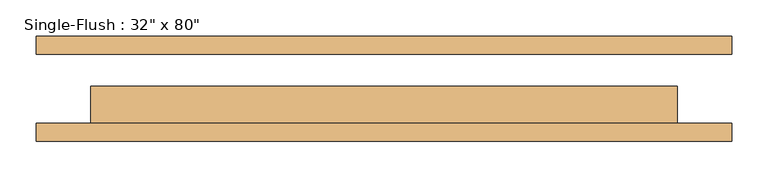
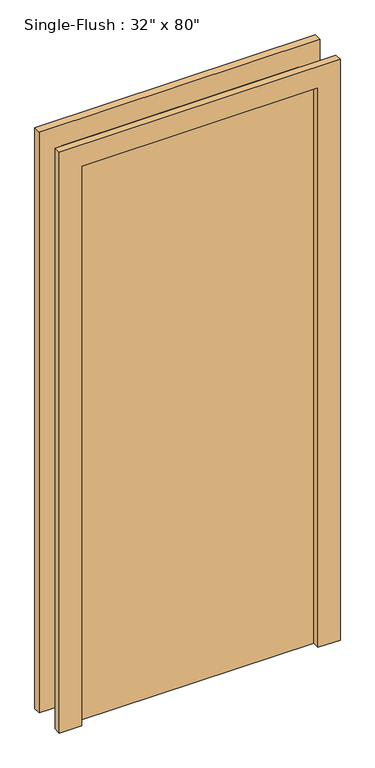
"""IFC4 building model written with IfcOpenShell, lengths in millimetres: door geometry."""

from ifc_helpers import new_model, si_unit, frame, origin, origin_with_axes, place, context, project, spatial, polyline, outline, extrude, source, transform, mapped, element, save


def door_2c56e52c(model_context):
    return source(origin(), model_context, "Body", "SweptSolid", [
        extrude(outline(polyline([(2108.2, -482.6), (0.0, -482.6), (0.0, -406.4), (2032.0, -406.4), (2032.0, 406.4), (0.0, 406.4), (0.0, 482.6), (2108.2, 482.6), (2108.2, -482.6)])), frame((0.0, -73.025, 0.0), z_axis=(0.0, 1.0, 0.0), x_axis=(0.0, 0.0, 1.0)), (0.0, 0.0, 1.0), 25.4),
        extrude(outline(polyline([(2108.2, 482.6), (2108.2, -482.6), (0.0, -482.6), (0.0, -406.4), (2032.0, -406.4), (2032.0, 406.4), (0.0, 406.4), (0.0, 482.6), (2108.2, 482.6)])), frame((0.0, 47.625, 0.0), z_axis=(0.0, 1.0, 0.0), x_axis=(0.0, 0.0, 1.0)), (0.0, 0.0, 1.0), 25.4),
        extrude(outline(polyline([(406.4, 3.175), (406.4, -47.625), (-406.4, -47.625), (-406.4, 3.175), (406.4, 3.175)])), origin_with_axes(), (0.0, 0.0, 1.0), 2032.0),
    ])


if __name__ == "__main__":
    model = new_model("IFC4")
    model_context = context("Model", 3, world=origin())
    ifc_project = project(units=[si_unit("LENGTHUNIT", "METRE", prefix="MILLI")], contexts=[model_context])
    site = spatial("IfcSite", under=ifc_project)
    building = spatial("IfcBuilding", under=site)
    placement = place(None, origin())
    door_shape = door_2c56e52c(model_context)
    element("IfcDoor", 1, ObjectType="Single-Flush : 32\" x 80\"", at=placement, inside=building, context=model_context, shape_type="MappedRepresentation", body=[
        mapped(door_shape, transform((0.0, 0.0, 0.0), x_axis=(1.0, 0.0, 0.0), y_axis=(0.0, 1.0, 0.0), z_axis=(0.0, 0.0, 1.0))),
    ])
    save(model, "model.ifc")
